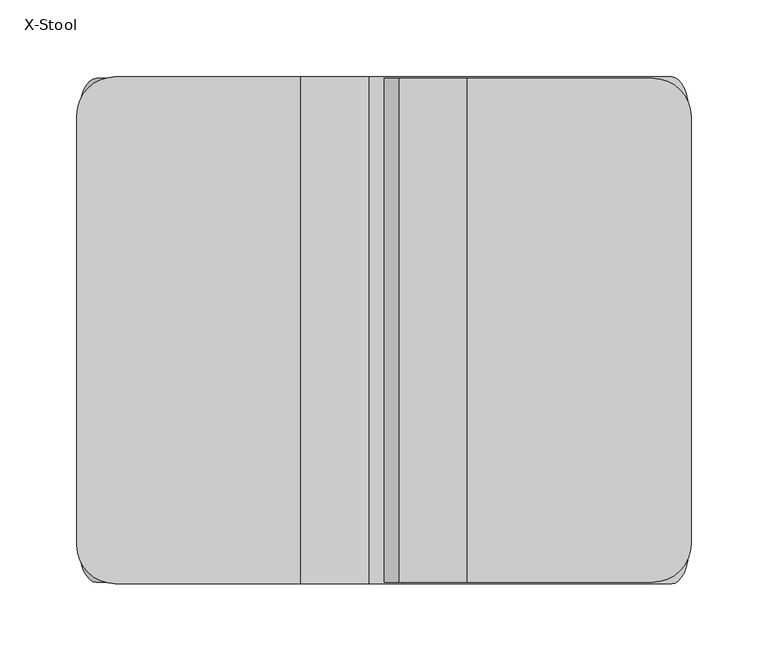
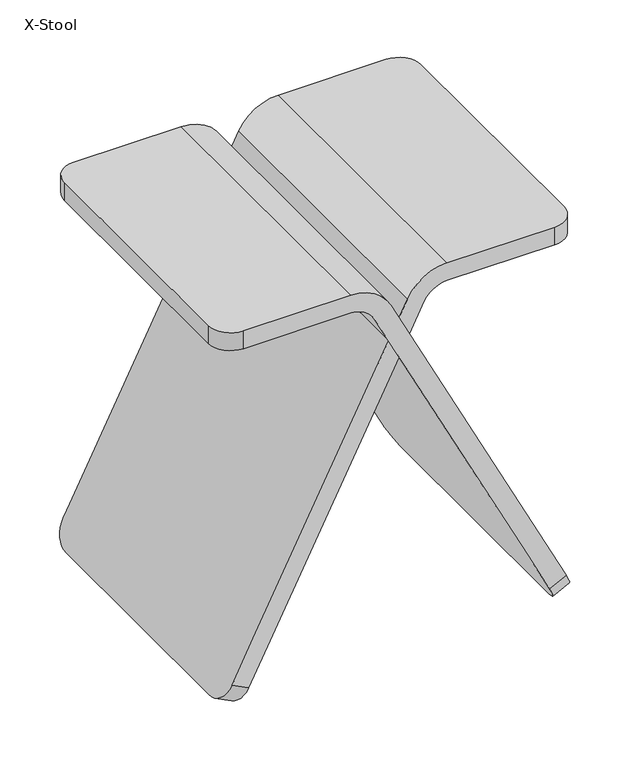
"""IFC4 building model written with IfcOpenShell, lengths in millimetres: furniture geometry, X-Stool."""

from ifc_helpers import new_model, si_unit, frame, origin, place, context, project, spatial, polyline, circle_curve, source, transform, mapped, element, save
from ifc_brep_helpers import plane_surface, cylinder_surface, revolved_surface, advanced_brep


def x_stool_a4445319(model_context):
    return source(origin(), model_context, "Body", "AdvancedBrep", [
        advanced_brep(
        [(54.2012731, -163.9998384, 450.0000398), (175.0, -163.9998384, 450.0000398), (200.0, -138.9998384, 450.0000398), (200.0, 138.9998384, 450.0000398), (175.0, 163.9998384, 450.0000398), (54.2012731, 163.9998384, 450.0000398), (54.2012731, 163.9998384, 429.0000398), (175.0, 163.9998384, 429.0000398), (200.0, 138.9998384, 429.0000398), (200.0, -138.9998384, 429.0000398), (175.0, -163.9998384, 429.0000398), (54.2012731, -163.9998384, 429.0000398), (28.3231921, 163.9998384, 413.0891546), (11.7667149, 163.9998384, 380.3558595), (0.0, 163.9998384, 403.6194647), (9.5838921, 163.9998384, 422.5674791), (-11.7667149, 163.9998384, 380.3558595), (0.0, 163.9998384, 357.0922542), (-144.6217461, 163.9998384, 71.1651077), (-161.4137677, 163.9998384, 37.9661252), (-168.6252682, 163.9998384, 23.7084924), (-187.3645682, 163.9998384, 33.1868169), (-180.1530677, 163.9998384, 47.4444497), (-163.3610461, 163.9998384, 80.6434322), (9.5838921, -163.9998384, 422.5674791), (0.0, -163.9998384, 403.6194647), (11.7667149, -163.9998384, 380.3558595), (28.3231921, -163.9998384, 413.0891546), (0.0, -163.9998384, 357.0922542), (-11.7667149, -163.9998384, 380.3558595), (-163.3610461, -163.9998384, 80.6434322), (-187.3645682, -163.9998384, 33.1868169), (-168.6252682, -163.9998384, 23.7084924), (-144.6217461, -163.9998384, 71.1651077), (-198.6482878, 138.9998384, 10.8781265), (-198.6482878, -138.9998384, 10.8781265), (-179.9089878, -138.9998384, 1.3998019), (-179.9089878, 138.9998384, 1.3998019), (-9.5838921, -164.9998384, 422.5674791), (-54.2012731, -164.9998384, 450.0000398), (-175.0, -164.9998384, 450.0000398), (-175.0, -164.9998384, 429.0000398), (-54.2012731, -164.9998384, 429.0000398), (-28.3231921, -164.9998384, 413.0891546), (144.6217461, -164.9998384, 71.1651077), (168.6252682, -164.9998384, 23.7084924), (187.3645682, -164.9998384, 33.1868169), (163.3610461, -164.9998384, 80.6434322), (-28.3231921, 164.9998384, 413.0891546), (-54.2012731, 164.9998384, 429.0000398), (-175.0, 164.9998384, 429.0000398), (-175.0, 164.9998384, 450.0000398), (-54.2012731, 164.9998384, 450.0000398), (-9.5838921, 164.9998384, 422.5674791), (163.3610461, 164.9998384, 80.6434322), (180.1530677, 164.9998384, 47.4444497), (187.3645682, 164.9998384, 33.1868169), (168.6252682, 164.9998384, 23.7084924), (161.4137677, 164.9998384, 37.9661252), (144.6217461, 164.9998384, 71.1651077), (198.6482878, -139.9998384, 10.8781265), (198.6482878, 139.9998384, 10.8781265), (179.9089878, 139.9998384, 1.3998019), (179.9089878, -139.9998384, 1.3998019), (-200.0, 139.9998384, 450.0000398), (-200.0, -139.9998384, 450.0000398), (-200.0, -139.9998384, 429.0000398), (-200.0, 139.9998384, 429.0000398)],
        [
            (0, 1),
            (1, 2, circle_curve(frame((175.0, -138.9998384, 450.0000398), z_axis=(0.0, 0.0, 1.0), x_axis=(-1.0, 0.0, 0.0)), 25.0)),
            (2, 3),
            (3, 4, circle_curve(frame((175.0, 138.9998384, 450.0000398), z_axis=(0.0, 0.0, 1.0), x_axis=(-1.0, 0.0, 0.0)), 25.0)),
            (4, 5),
            (5, 0),
            (6, 7),
            (7, 8, circle_curve(frame((175.0, 138.9998384, 429.0000398), z_axis=(0.0, 0.0, -1.0), x_axis=(-1.0, 0.0, 0.0)), 25.0)),
            (8, 9),
            (9, 10, circle_curve(frame((175.0, -138.9998384, 429.0000398), z_axis=(0.0, 0.0, -1.0), x_axis=(-1.0, 0.0, 0.0)), 25.0)),
            (10, 11),
            (11, 6),
            (4, 7),
            (6, 12, circle_curve(frame((54.2012731, 163.9998384, 400.0000398), z_axis=(0.0, -1.0, 0.0), x_axis=(-1.0, 0.0, 0.0)), 29.0)),
            (12, 13),
            (13, 14),
            (14, 15),
            (15, 5, circle_curve(frame((54.2012731, 163.9998384, 400.0000398), z_axis=(0.0, 1.0, 0.0), x_axis=(-1.0, 0.0, 0.0)), 50.0)),
            (16, 17),
            (17, 18),
            (18, 19),
            (19, 20),
            (20, 21),
            (21, 22),
            (22, 23),
            (23, 16),
            (3, 8),
            (2, 9),
            (1, 10),
            (0, 24, circle_curve(frame((54.2012731, -163.9998384, 400.0000398), z_axis=(0.0, -1.0, 0.0), x_axis=(-1.0, 0.0, 0.0)), 50.0)),
            (24, 25),
            (25, 26),
            (26, 27),
            (27, 11, circle_curve(frame((54.2012731, -163.9998384, 400.0000398), z_axis=(0.0, 1.0, 0.0), x_axis=(-1.0, 0.0, 0.0)), 29.0)),
            (28, 29),
            (29, 30),
            (30, 31),
            (31, 32),
            (32, 33),
            (33, 28),
            (24, 15),
            (14, 25),
            (29, 16),
            (21, 34, circle_curve(frame((-187.3645682, 138.9998384, 33.1868169), z_axis=(-0.8923476186446916, 0.0, 0.45134878696984243), x_axis=(-0.45134878696984243, 0.0, -0.8923476186446916)), 25.0)),
            (34, 35),
            (35, 31, circle_curve(frame((-187.3645682, -138.9998384, 33.1868169), z_axis=(-0.8923476186446916, 0.0, 0.45134878696984243), x_axis=(-0.45134878696984243, 0.0, -0.8923476186446916)), 25.0)),
            (27, 12),
            (26, 13),
            (17, 28),
            (32, 36, circle_curve(frame((-168.6252682, -138.9998384, 23.7084924), z_axis=(0.8923476186446916, 0.0, -0.45134878696984243), x_axis=(-0.45134878696984243, 0.0, -0.8923476186446916)), 25.0)),
            (36, 37),
            (37, 20, circle_curve(frame((-168.6252682, 138.9998384, 23.7084924), z_axis=(0.8923476186446916, 0.0, -0.45134878696984243), x_axis=(-0.45134878696984243, 0.0, -0.8923476186446916)), 25.0)),
            (38, 39, circle_curve(frame((-54.2012731, -164.9998384, 400.0000398), z_axis=(0.0, -1.0, 0.0), x_axis=(1.0, 0.0, 0.0)), 50.0)),
            (39, 40),
            (40, 41),
            (41, 42),
            (42, 43, circle_curve(frame((-54.2012731, -164.9998384, 400.0000398), z_axis=(0.0, 1.0, 0.0), x_axis=(1.0, 0.0, 0.0)), 29.0)),
            (43, 44),
            (44, 45),
            (45, 46),
            (46, 47),
            (47, 38),
            (48, 49, circle_curve(frame((-54.2012731, 164.9998384, 400.0000398), z_axis=(0.0, -1.0, 0.0), x_axis=(1.0, 0.0, 0.0)), 29.0)),
            (49, 50),
            (50, 51),
            (51, 52),
            (52, 53, circle_curve(frame((-54.2012731, 164.9998384, 400.0000398), z_axis=(0.0, 1.0, 0.0), x_axis=(1.0, 0.0, 0.0)), 50.0)),
            (53, 54),
            (54, 55),
            (55, 56),
            (56, 57),
            (57, 58),
            (58, 59),
            (59, 48),
            (53, 38),
            (46, 60, circle_curve(frame((187.3645682, -139.9998384, 33.1868169), z_axis=(0.8923476186446916, 0.0, 0.45134878696984243), x_axis=(0.45134878696984243, 0.0, -0.8923476186446916)), 25.0)),
            (60, 61),
            (61, 56, circle_curve(frame((187.3645682, 139.9998384, 33.1868169), z_axis=(0.8923476186446916, 0.0, 0.45134878696984243), x_axis=(0.45134878696984243, 0.0, -0.8923476186446916)), 25.0)),
            (52, 39),
            (42, 49),
            (48, 43),
            (57, 62, circle_curve(frame((168.6252682, 139.9998384, 23.7084924), z_axis=(-0.8923476186446916, 0.0, -0.45134878696984243), x_axis=(0.45134878696984243, 0.0, -0.8923476186446916)), 25.0)),
            (62, 63),
            (63, 45, circle_curve(frame((168.6252682, -139.9998384, 23.7084924), z_axis=(-0.8923476186446916, 0.0, -0.45134878696984243), x_axis=(0.45134878696984243, 0.0, -0.8923476186446916)), 25.0)),
            (51, 64, circle_curve(frame((-175.0, 139.9998384, 450.0000398), z_axis=(0.0, 0.0, 1.0), x_axis=(1.0, 0.0, 0.0)), 25.0)),
            (64, 65),
            (65, 40, circle_curve(frame((-175.0, -139.9998384, 450.0000398), z_axis=(0.0, 0.0, 1.0), x_axis=(1.0, 0.0, 0.0)), 25.0)),
            (41, 66, circle_curve(frame((-175.0, -139.9998384, 429.0000398), z_axis=(0.0, 0.0, -1.0), x_axis=(1.0, 0.0, 0.0)), 25.0)),
            (66, 67),
            (67, 50, circle_curve(frame((-175.0, 139.9998384, 429.0000398), z_axis=(0.0, 0.0, -1.0), x_axis=(1.0, 0.0, 0.0)), 25.0)),
            (67, 64),
            (66, 65),
            (34, 37),
            (36, 35),
            (60, 63),
            (62, 61),
        ],
        [
            plane_surface(frame((54.2012731, 76.3826031, 450.0000398), z_axis=(0.0, 0.0, 1.0), x_axis=(0.0, -1.0, 0.0))),
            plane_surface(frame((54.2012731, 76.3826031, 429.0000398), z_axis=(0.0, 0.0, -1.0), x_axis=(0.0, 1.0, 0.0))),
            plane_surface(frame((175.0, 163.9998384, 450.0000398), z_axis=(0.0, 1.0, 0.0), x_axis=(0.0, 0.0, -1.0))),
            cylinder_surface(frame((175.0, 138.9998384, 429.0000398), z_axis=(0.0, 0.0, 1.0), x_axis=(-1.0, 0.0, 0.0)), 25.0),
            plane_surface(frame((200.0, -138.9998384, 450.0000398), z_axis=(1.0, 0.0, 0.0), x_axis=(0.0, 0.0, -1.0))),
            cylinder_surface(frame((175.0, -138.9998384, 429.0000398), z_axis=(0.0, 0.0, 1.0), x_axis=(-1.0, 0.0, 0.0)), 25.0),
            plane_surface(frame((54.2012731, -163.9998384, 450.0000398), z_axis=(0.0, -1.0, 0.0), x_axis=(0.0, 0.0, -1.0))),
            plane_surface(frame((9.5838921, -163.9998384, 422.5674791), z_axis=(-0.8923476186446916, 0.0, 0.45134878696984243), x_axis=(0.0, 1.0, 0.0))),
            cylinder_surface(frame((54.2012731, 163.9998384, 400.0000398), z_axis=(0.0, -1.0, 0.0), x_axis=(-1.0, 0.0, 0.0)), 50.0),
            revolved_surface(polyline([(25.2012731, 163.9998384, 400.0000398), (25.2012731, -163.9998384, 400.0000398)]), (54.2012731, 163.9998384, 400.0000398), (0.0, 1.0, 0.0)),
            plane_surface(frame((-180.7296491, -163.9998384, -0.2227018), z_axis=(0.8923476186446915, 0.0, -0.45134878696984243), x_axis=(0.0, 1.0, 0.0))),
            plane_surface(frame((197.5164358, -164.9998384, 13.1158759), z_axis=(0.0, -1.0, 0.0), x_axis=(-0.45134878696984243, 0.0, 0.8923476186446916))),
            plane_surface(frame((197.5164358, 164.9998384, 13.1158759), z_axis=(0.0, 1.0, 0.0), x_axis=(0.45134878696984243, 0.0, -0.8923476186446916))),
            plane_surface(frame((199.4689491, -164.9998384, 9.2556227), z_axis=(0.8923476186446916, 0.0, 0.45134878696984243), x_axis=(0.0, 1.0, 0.0))),
            cylinder_surface(frame((-54.2012731, 164.9998384, 400.0000398), z_axis=(0.0, -1.0, 0.0), x_axis=(1.0, 0.0, 0.0)), 50.0),
            revolved_surface(polyline([(-25.2012731, 164.9998384, 400.0000398), (-25.2012731, -164.9998384, 400.0000398)]), (-54.2012731, 164.9998384, 400.0000398), (0.0, 1.0, 0.0)),
            plane_surface(frame((-28.3231921, -164.9998384, 413.0891546), z_axis=(-0.8923476186446915, 0.0, -0.45134878696984243), x_axis=(0.0, 1.0, 0.0))),
            plane_surface(frame((-133.3074122, 164.9998384, 450.0000398), z_axis=(0.0, 0.0, 1.0), x_axis=(-1.0, 0.0, 0.0))),
            plane_surface(frame((-133.3074122, 164.9998384, 429.0000398), z_axis=(0.0, 0.0, -1.0), x_axis=(1.0, 0.0, 0.0))),
            cylinder_surface(frame((-175.0, 139.9998384, 429.0000398), z_axis=(0.0, 0.0, 1.0), x_axis=(1.0, 0.0, 0.0)), 25.0),
            plane_surface(frame((-200.0, 139.9998384, 450.0000398), z_axis=(-1.0, 0.0, 0.0), x_axis=(0.0, 0.0, -1.0))),
            cylinder_surface(frame((-175.0, -139.9998384, 429.0000398), z_axis=(0.0, 0.0, 1.0), x_axis=(1.0, 0.0, 0.0)), 25.0),
            plane_surface(frame((-149.3265542, 138.9998384, -14.0687711), z_axis=(-0.45134878696984254, 0.0, -0.8923476186446915), x_axis=(-0.8923476186446915, 0.0, 0.45134878696984254))),
            cylinder_surface(frame((-218.0795466, -138.9998384, 48.7224311), z_axis=(-0.8923476186446916, 0.0, 0.45134878696984243), x_axis=(-0.45134878696984243, 0.0, -0.8923476186446916)), 25.0),
            cylinder_surface(frame((-218.0795466, 138.9998384, 48.7224311), z_axis=(-0.8923476186446916, 0.0, 0.45134878696984243), x_axis=(-0.45134878696984243, 0.0, -0.8923476186446916)), 25.0),
            plane_surface(frame((149.3265542, -139.9998384, -14.0687711), z_axis=(0.4513487869698424, 0.0, -0.8923476186446916), x_axis=(0.8923476186446916, 0.0, 0.4513487869698424))),
            cylinder_surface(frame((218.0795466, -139.9998384, 48.7224311), z_axis=(0.8923476186446916, 0.0, 0.45134878696984243), x_axis=(0.45134878696984243, 0.0, -0.8923476186446916)), 25.0),
            cylinder_surface(frame((218.0795466, 139.9998384, 48.7224311), z_axis=(0.8923476186446916, 0.0, 0.45134878696984243), x_axis=(0.45134878696984243, 0.0, -0.8923476186446916)), 25.0),
        ],
        [
            (0, [[1, 2, 3, 4, 5, 6]]),
            (1, [[7, 8, 9, 10, 11, 12]]),
            (2, [[-5, 13, -7, 14, 15, 16, 17, 18]]),
            (2, [[19, 20, 21, 22, 23, 24, 25, 26]]),
            (3, [[-4, 27, -8, -13]]),
            (4, [[-3, 28, -9, -27]]),
            (5, [[-2, 29, -10, -28]]),
            (6, [[-1, 30, 31, 32, 33, 34, -11, -29]]),
            (6, [[35, 36, 37, 38, 39, 40]]),
            (7, [[41, -17, 42, -31]]),
            (7, [[43, -26, -25, -24, 44, 45, 46, -37, -36]]),
            (8, [[-30, -6, -18, -41]]),
            (9, [[-34, 47, -14, -12]]),
            (10, [[-47, -33, 48, -15]]),
            (10, [[49, -40, -39, 50, 51, 52, -22, -21, -20]]),
            (11, [[53, 54, 55, 56, 57, 58, 59, 60, 61, 62]]),
            (12, [[63, 64, 65, 66, 67, 68, 69, 70, 71, 72, 73, 74]]),
            (13, [[75, -62, -61, 76, 77, 78, -70, -69, -68], [-16, -48, -32, -42]]),
            (14, [[-53, -75, -67, 79]]),
            (15, [[-57, 80, -63, 81]]),
            (16, [[-81, -74, -73, -72, 82, 83, 84, -59, -58], [-19, -43, -35, -49]]),
            (17, [[-66, 85, 86, 87, -54, -79]]),
            (18, [[-56, 88, 89, 90, -64, -80]]),
            (19, [[-85, -65, -90, 91]]),
            (20, [[-86, -91, -89, 92]]),
            (21, [[-87, -92, -88, -55]]),
            (22, [[93, -51, 94, -45]]),
            (23, [[-94, -50, -38, -46]]),
            (24, [[-93, -44, -23, -52]]),
            (25, [[95, -83, 96, -77]]),
            (26, [[-95, -76, -60, -84]]),
            (27, [[-96, -82, -71, -78]]),
        ],
    ),
    ])


if __name__ == "__main__":
    model = new_model("IFC4")
    model_context = context("Model", 3, world=origin())
    ifc_project = project(units=[si_unit("LENGTHUNIT", "METRE", prefix="MILLI")], contexts=[model_context])
    site = spatial("IfcSite", under=ifc_project)
    building = spatial("IfcBuilding", under=site)
    placement = place(None, origin())
    x_stool_shape = x_stool_a4445319(model_context)
    element("IfcFurniture", 1, ObjectType="X-Stool", at=placement, inside=building, context=model_context, shape_type="MappedRepresentation", body=[
        mapped(x_stool_shape, transform((0.0, 0.0, 0.0), x_axis=(1.0, 0.0, 0.0), y_axis=(0.0, 1.0, 0.0), z_axis=(0.0, 0.0, 1.0))),
    ])
    save(model, "model.ifc")
